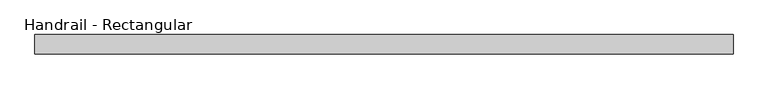
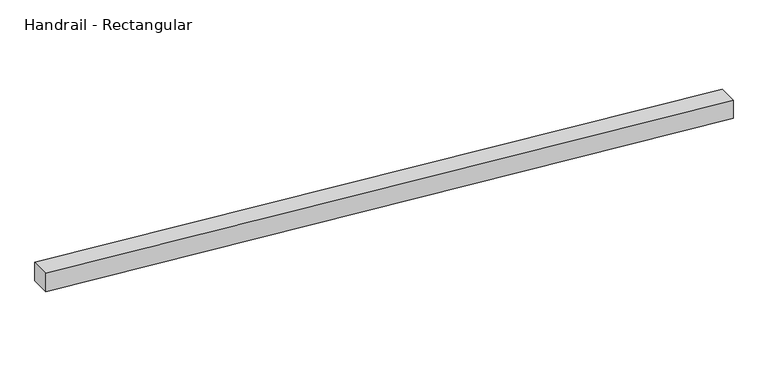
"""IFC4 building model written with IfcOpenShell, lengths in millimetres: railing geometry, Handrail - Rectangular."""

from ifc_helpers import new_model, si_unit, frame, origin, place, context, project, spatial, polyline, outline, extrude, source, transform, mapped, element, save


def handrail_rectangular_03c58641(model_context):
    return source(origin(), model_context, "Body", "SweptSolid", [
        extrude(outline(polyline([(863.4239163, 51984.753484), (914.4, 51984.753484), (1066.8, 50155.953484), (1015.8239163, 50155.953484), (863.4239163, 51984.753484)])), frame((0.0, -16061.3551669, 0.0), z_axis=(0.0, 1.0, 0.0), x_axis=(0.0, 0.0, 1.0)), (0.0, 0.0, 1.0), 50.8),
    ])


if __name__ == "__main__":
    model = new_model("IFC4")
    model_context = context("Model", 3, world=origin())
    ifc_project = project(units=[si_unit("LENGTHUNIT", "METRE", prefix="MILLI")], contexts=[model_context])
    site = spatial("IfcSite", under=ifc_project)
    building = spatial("IfcBuilding", under=site)
    placement = place(None, origin())
    handrail_rectangular_shape = handrail_rectangular_03c58641(model_context)
    element("IfcRailing", 1, ObjectType="Handrail - Rectangular", at=placement, inside=building, context=model_context, shape_type="MappedRepresentation", body=[
        mapped(handrail_rectangular_shape, transform((0.0, 0.0, 0.0), x_axis=(1.0, 0.0, 0.0), y_axis=(0.0, 1.0, 0.0), z_axis=(0.0, 0.0, 1.0))),
    ])
    save(model, "model.ifc")
